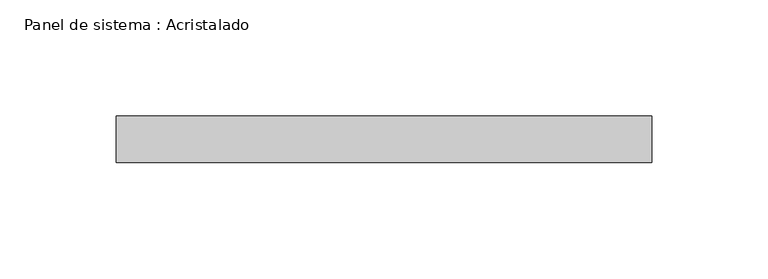
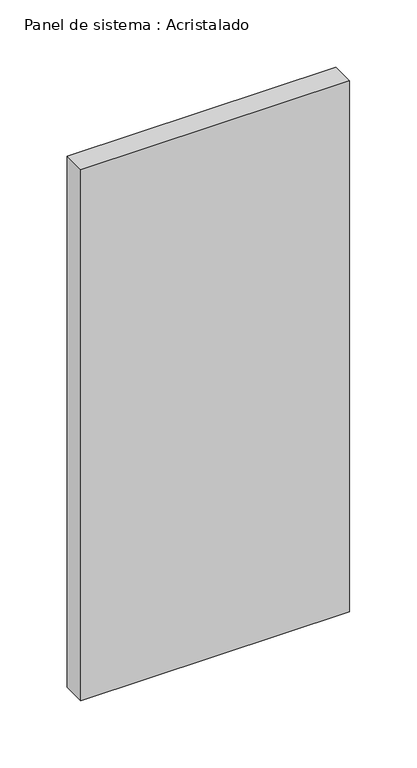
"""IFC4 building model written with IfcOpenShell, lengths in millimetres: plate geometry, Panel de sistema : Acristalado."""

from ifc_helpers import new_model, si_unit, origin, origin_with_axes, place, context, project, spatial, polyline, outline, extrude, source, transform, mapped, element, save


def panel_de_sistema_acristalado_11b00f7e(model_context):
    return source(origin(), model_context, "Body", "SweptSolid", [
        extrude(outline(polyline([(115.0, -10.0), (-115.0, -10.0), (-115.0, 10.0), (115.0, 10.0), (115.0, -10.0)])), origin_with_axes(), (0.0, 0.0, 1.0), 480.0197469),
    ])


if __name__ == "__main__":
    model = new_model("IFC4")
    model_context = context("Model", 3, world=origin())
    ifc_project = project(units=[si_unit("LENGTHUNIT", "METRE", prefix="MILLI")], contexts=[model_context])
    site = spatial("IfcSite", under=ifc_project)
    building = spatial("IfcBuilding", under=site)
    placement = place(None, origin())
    panel_de_sistema_acristalado_shape = panel_de_sistema_acristalado_11b00f7e(model_context)
    element("IfcPlate", 1, ObjectType="Panel de sistema : Acristalado", at=placement, inside=building, context=model_context, shape_type="MappedRepresentation", body=[
        mapped(panel_de_sistema_acristalado_shape, transform((0.0, 0.0, 0.0), x_axis=(1.0, 0.0, 0.0), y_axis=(0.0, 1.0, 0.0), z_axis=(0.0, 0.0, 1.0))),
    ])
    save(model, "model.ifc")
